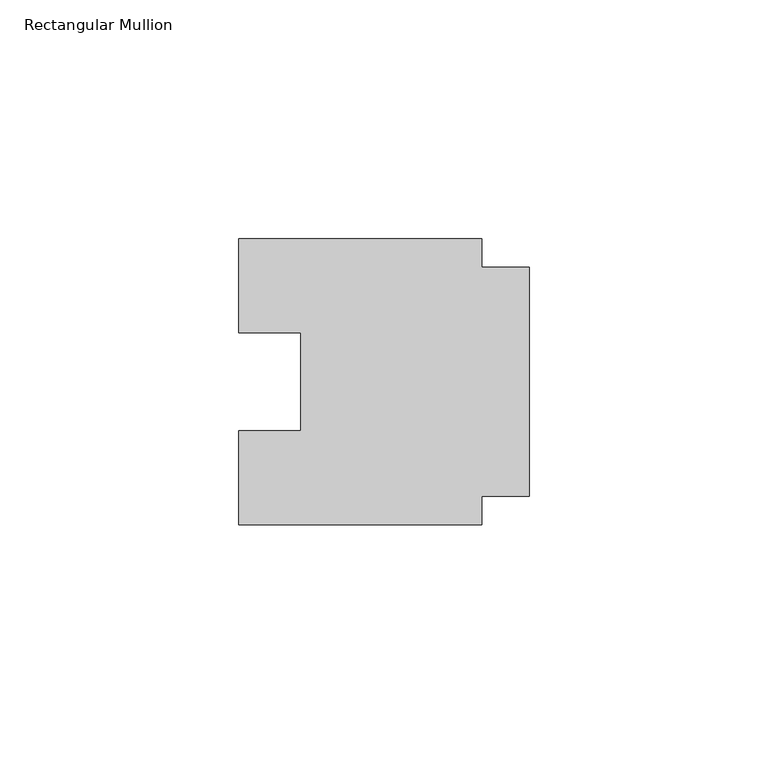
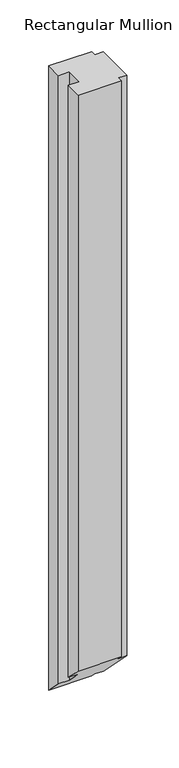
"""IFC4 building model written with IfcOpenShell, lengths in millimetres: member geometry, Rectangular Mullion."""

from ifc_helpers import new_model, si_unit, origin, place, context, project, spatial, faceted_brep, source, transform, mapped, element, save


def rectangular_mullion_bcf8f2c6(model_context):
    return source(origin(), model_context, "Body", "Brep", [
        faceted_brep([(-10.0, -24.0, 0.0), (0.0, -24.0, 0.0), (0.0, 24.0, 0.0), (-10.0, 24.0, 0.0), (-10.0, 30.0, 0.0), (-61.0, 30.0, 0.0), (-61.0, 10.25, 0.0), (-48.0, 10.25, 0.0), (-48.0, -10.25, 0.0), (-61.0, -10.25, 0.0), (-61.0, -30.0, 0.0), (-10.0, -30.0, 0.0), (-10.0, -24.0, -725.9999997), (0.0, -24.0, -725.9999997), (0.0, 24.0, -773.9999997), (-10.0, 24.0, -773.9999997), (-10.0, 30.0, -779.9999997), (-61.0, 30.0, -779.9999997), (-61.0, 10.25, -760.2499997), (-48.0, 10.25, -760.2499997), (-48.0, -10.25, -739.7499997), (-61.0, -10.25, -739.7499997), (-61.0, -30.0, -719.9999997), (-10.0, -30.0, -719.9999997)], [[[0, 1, 2, 3, 4, 5, 6, 7, 8, 9, 10, 11]], [[1, 0, 12, 13]], [[2, 1, 13, 14]], [[3, 2, 14, 15]], [[4, 3, 15, 16]], [[5, 4, 16, 17]], [[6, 5, 17, 18]], [[7, 6, 18, 19]], [[8, 7, 19, 20]], [[9, 8, 20, 21]], [[10, 9, 21, 22]], [[11, 10, 22, 23]], [[0, 11, 23, 12]], [[12, 23, 22, 21, 20, 19, 18, 17, 16, 15, 14, 13]]]),
    ])


if __name__ == "__main__":
    model = new_model("IFC4")
    model_context = context("Model", 3, world=origin())
    ifc_project = project(units=[si_unit("LENGTHUNIT", "METRE", prefix="MILLI")], contexts=[model_context])
    site = spatial("IfcSite", under=ifc_project)
    building = spatial("IfcBuilding", under=site)
    placement = place(None, origin())
    rectangular_mullion_shape = rectangular_mullion_bcf8f2c6(model_context)
    element("IfcMember", 1, ObjectType="Rectangular Mullion", at=placement, inside=building, context=model_context, shape_type="MappedRepresentation", body=[
        mapped(rectangular_mullion_shape, transform((0.0, 0.0, 0.0), x_axis=(1.0, 0.0, 0.0), y_axis=(0.0, 1.0, 0.0), z_axis=(0.0, 0.0, 1.0))),
    ])
    save(model, "model.ifc")
